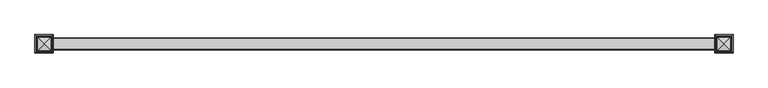
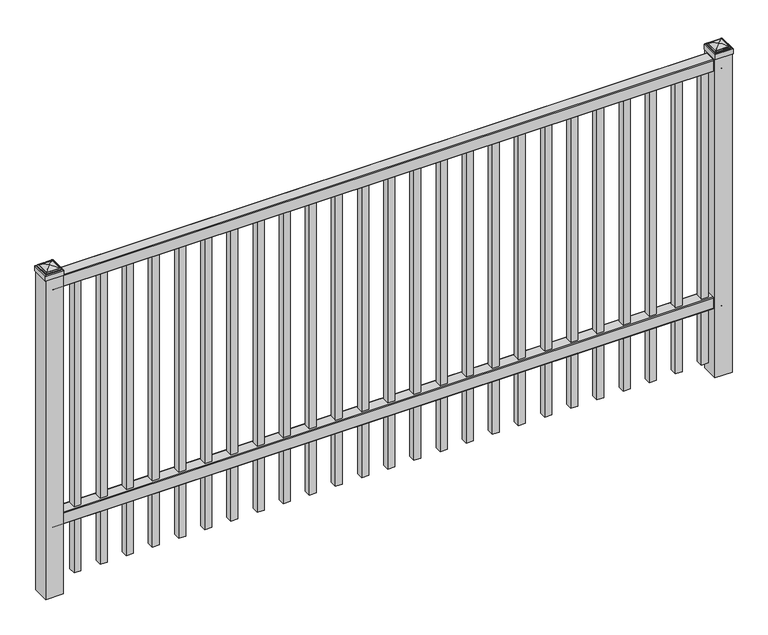
"""IFC4 building model written with IfcOpenShell, lengths in millimetres: railing geometry."""

from ifc_helpers import new_model, si_unit, point, frame, frame_2d, origin, origin_with_axes, place, context, project, spatial, polyline, circle_curve, ellipse_curve, trimmed, segment, composite_curve, outline, extrude, source, transform, mapped, element, save
from ifc_brep_helpers import plane_surface, cylinder_surface, advanced_brep


def railing_d7086f1b(model_context):
    return source(origin(), model_context, "Body", "SolidModel", [
        extrude(outline(composite_curve([segment(polyline([(13397.9139761, 304.8), (13435.969541, 304.8)]), True, "CONTINUOUS"), segment(trimmed(circle_curve(frame_2d((13435.969541, 301.625)), 3.175), [point((13435.969541, 304.8))], [point((13439.144541, 301.625))], False, "CARTESIAN"), True, "CONTINUOUS"), segment(polyline([(13439.144541, 301.625), (13439.144541, 262.1439893)]), True, "CONTINUOUS"), segment(trimmed(circle_curve(frame_2d((13437.3505518, 262.1439893)), 1.7939893), [point((13439.144541, 262.1439893))], [point((13437.3505518, 260.35))], False, "CARTESIAN"), True, "CONTINUOUS"), segment(polyline([(13437.3505518, 260.35), (13434.7590713, 260.35)]), True, "CONTINUOUS"), segment(trimmed(circle_curve(frame_2d((13434.7590713, 262.1359375)), 1.7859375), [point((13434.7590713, 260.35))], [point((13432.9755813, 262.0424688))], False, "CARTESIAN"), True, "CONTINUOUS"), segment(polyline([(13432.9755813, 262.0424688), (13431.4025867, 292.0569942), (13402.4364954, 292.0569942), (13400.8635007, 262.0424688)]), True, "CONTINUOUS"), segment(trimmed(circle_curve(frame_2d((13399.0800108, 262.1359375)), 1.7859375), [point((13400.8635007, 262.0424688))], [point((13399.0800108, 260.35))], False, "CARTESIAN"), True, "CONTINUOUS"), segment(polyline([(13399.0800108, 260.35), (13396.4804785, 260.35)]), True, "CONTINUOUS"), segment(trimmed(circle_curve(frame_2d((13396.4804785, 262.1359375)), 1.7859375), [point((13396.4804785, 260.35))], [point((13394.694541, 262.1359375))], False, "CARTESIAN"), True, "CONTINUOUS"), segment(polyline([(13394.694541, 262.1359375), (13394.694541, 301.5805649)]), True, "CONTINUOUS"), segment(trimmed(circle_curve(frame_2d((13397.9139761, 301.5805649)), 3.2194351), [point((13394.694541, 301.5805649))], [point((13397.9139761, 304.8))], False, "CARTESIAN"), True, "CONTINUOUS")], self_intersect=False)), frame((-15337.0649936, 0.0, 0.0), z_axis=(1.0, 0.0, 0.0), x_axis=(0.0, 1.0, 0.0)), (0.0, 0.0, 1.0), 2438.4),
        extrude(outline(composite_curve([segment(polyline([(13397.9139761, 1219.2), (13435.969541, 1219.2)]), True, "CONTINUOUS"), segment(trimmed(circle_curve(frame_2d((13435.969541, 1216.025)), 3.175), [point((13435.969541, 1219.2))], [point((13439.144541, 1216.025))], False, "CARTESIAN"), True, "CONTINUOUS"), segment(polyline([(13439.144541, 1216.025), (13439.144541, 1176.5439893)]), True, "CONTINUOUS"), segment(trimmed(circle_curve(frame_2d((13437.3505518, 1176.5439893)), 1.7939893), [point((13439.144541, 1176.5439893))], [point((13437.3505518, 1174.75))], False, "CARTESIAN"), True, "CONTINUOUS"), segment(polyline([(13437.3505518, 1174.75), (13434.7590713, 1174.75)]), True, "CONTINUOUS"), segment(trimmed(circle_curve(frame_2d((13434.7590713, 1176.5359375)), 1.7859375), [point((13434.7590713, 1174.75))], [point((13432.9755813, 1176.4424688))], False, "CARTESIAN"), True, "CONTINUOUS"), segment(polyline([(13432.9755813, 1176.4424688), (13431.4025867, 1206.4569942), (13402.4364954, 1206.4569942), (13400.8635007, 1176.4424688)]), True, "CONTINUOUS"), segment(trimmed(circle_curve(frame_2d((13399.0800108, 1176.5359375)), 1.7859375), [point((13400.8635007, 1176.4424688))], [point((13399.0800108, 1174.75))], False, "CARTESIAN"), True, "CONTINUOUS"), segment(polyline([(13399.0800108, 1174.75), (13396.4804785, 1174.75)]), True, "CONTINUOUS"), segment(trimmed(circle_curve(frame_2d((13396.4804785, 1176.5359375)), 1.7859375), [point((13396.4804785, 1174.75))], [point((13394.694541, 1176.5359375))], False, "CARTESIAN"), True, "CONTINUOUS"), segment(polyline([(13394.694541, 1176.5359375), (13394.694541, 1215.9805649)]), True, "CONTINUOUS"), segment(trimmed(circle_curve(frame_2d((13397.9139761, 1215.9805649)), 3.2194351), [point((13394.694541, 1215.9805649))], [point((13397.9139761, 1219.2))], False, "CARTESIAN"), True, "CONTINUOUS")], self_intersect=False)), frame((-15337.0649936, 0.0, 0.0), z_axis=(1.0, 0.0, 0.0), x_axis=(0.0, 1.0, 0.0)), (0.0, 0.0, 1.0), 2438.4),
        extrude(outline(polyline([(0.0, -1123.95), (0.0, 0.0), (25.4, 0.0), (25.4, -1123.95), (0.0, -1123.95)])), frame((-12943.1149864, 13429.619541, 1174.75), z_axis=(-1.0, 0.0, 3.6920138697683833e-09), x_axis=(0.0, -1.0, 0.0)), (0.0, 0.0, 1.0), 25.4),
        extrude(outline(polyline([(0.0, -1123.95), (0.0, 0.0), (25.4, 0.0), (25.4, -1123.95), (0.0, -1123.95)])), frame((-13038.3649864, 13429.619541, 1174.75), z_axis=(-1.0, 0.0, 3.6920138697683833e-09), x_axis=(0.0, -1.0, 0.0)), (0.0, 0.0, 1.0), 25.4),
        extrude(outline(polyline([(0.0, -1123.95), (0.0, 0.0), (25.4, 0.0), (25.4, -1123.95), (0.0, -1123.95)])), frame((-13133.6149864, 13429.619541, 1174.75), z_axis=(-1.0, 0.0, 3.6920138697683833e-09), x_axis=(0.0, -1.0, 0.0)), (0.0, 0.0, 1.0), 25.4),
        extrude(outline(polyline([(0.0, -1123.95), (0.0, 0.0), (25.4, 0.0), (25.4, -1123.95), (0.0, -1123.95)])), frame((-13228.8649864, 13429.619541, 1174.75), z_axis=(-1.0, 0.0, 3.6920138697683833e-09), x_axis=(0.0, -1.0, 0.0)), (0.0, 0.0, 1.0), 25.4),
        extrude(outline(polyline([(0.0, -1123.95), (0.0, 0.0), (25.4, 0.0), (25.4, -1123.95), (0.0, -1123.95)])), frame((-13324.1149864, 13429.619541, 1174.75), z_axis=(-1.0, 0.0, 3.6920138697683833e-09), x_axis=(0.0, -1.0, 0.0)), (0.0, 0.0, 1.0), 25.4),
        extrude(outline(polyline([(0.0, -1123.95), (0.0, 0.0), (25.4, 0.0), (25.4, -1123.95), (0.0, -1123.95)])), frame((-13419.3649864, 13429.619541, 1174.75), z_axis=(-1.0, 0.0, 3.6920138697683833e-09), x_axis=(0.0, -1.0, 0.0)), (0.0, 0.0, 1.0), 25.4),
        extrude(outline(polyline([(0.0, -1123.95), (0.0, 0.0), (25.4, 0.0), (25.4, -1123.95), (0.0, -1123.95)])), frame((-13514.6149864, 13429.619541, 1174.75), z_axis=(-1.0, 0.0, 3.6920138697683833e-09), x_axis=(0.0, -1.0, 0.0)), (0.0, 0.0, 1.0), 25.4),
        extrude(outline(polyline([(0.0, -1123.95), (0.0, 0.0), (25.4, 0.0), (25.4, -1123.95), (0.0, -1123.95)])), frame((-13609.8649864, 13429.619541, 1174.75), z_axis=(-1.0, 0.0, 3.6920138697683833e-09), x_axis=(0.0, -1.0, 0.0)), (0.0, 0.0, 1.0), 25.4),
        extrude(outline(polyline([(0.0, -1123.95), (0.0, 0.0), (25.4, 0.0), (25.4, -1123.95), (0.0, -1123.95)])), frame((-13705.1149864, 13429.619541, 1174.75), z_axis=(-1.0, 0.0, 3.6920138697683833e-09), x_axis=(0.0, -1.0, 0.0)), (0.0, 0.0, 1.0), 25.4),
        extrude(outline(polyline([(0.0, -1123.95), (0.0, 0.0), (25.4, 0.0), (25.4, -1123.95), (0.0, -1123.95)])), frame((-13800.3649864, 13429.619541, 1174.75), z_axis=(-1.0, 0.0, 3.6920138697683833e-09), x_axis=(0.0, -1.0, 0.0)), (0.0, 0.0, 1.0), 25.4),
        extrude(outline(polyline([(0.0, -1123.95), (0.0, 0.0), (25.4, 0.0), (25.4, -1123.95), (0.0, -1123.95)])), frame((-13895.6149864, 13429.619541, 1174.75), z_axis=(-1.0, 0.0, 3.6920138697683833e-09), x_axis=(0.0, -1.0, 0.0)), (0.0, 0.0, 1.0), 25.4),
        extrude(outline(polyline([(0.0, -1123.95), (0.0, 0.0), (25.4, 0.0), (25.4, -1123.95), (0.0, -1123.95)])), frame((-13990.8649864, 13429.619541, 1174.75), z_axis=(-1.0, 0.0, 3.6920138697683833e-09), x_axis=(0.0, -1.0, 0.0)), (0.0, 0.0, 1.0), 25.4),
        extrude(outline(polyline([(0.0, -1123.95), (0.0, 0.0), (25.4, 0.0), (25.4, -1123.95), (0.0, -1123.95)])), frame((-14086.1149864, 13429.619541, 1174.75), z_axis=(-1.0, 0.0, 3.6920138697683833e-09), x_axis=(0.0, -1.0, 0.0)), (0.0, 0.0, 1.0), 25.4),
        extrude(outline(polyline([(0.0, -1123.95), (0.0, 0.0), (25.4, 0.0), (25.4, -1123.95), (0.0, -1123.95)])), frame((-14181.3649864, 13429.619541, 1174.75), z_axis=(-1.0, 0.0, 3.6920138697683833e-09), x_axis=(0.0, -1.0, 0.0)), (0.0, 0.0, 1.0), 25.4),
        extrude(outline(polyline([(0.0, -1123.95), (0.0, 0.0), (25.4, 0.0), (25.4, -1123.95), (0.0, -1123.95)])), frame((-14276.6149864, 13429.619541, 1174.75), z_axis=(-1.0, 0.0, 3.6920138697683833e-09), x_axis=(0.0, -1.0, 0.0)), (0.0, 0.0, 1.0), 25.4),
        extrude(outline(polyline([(0.0, -1123.95), (0.0, 0.0), (25.4, 0.0), (25.4, -1123.95), (0.0, -1123.95)])), frame((-14371.8649864, 13429.619541, 1174.75), z_axis=(-1.0, 0.0, 3.6920138697683833e-09), x_axis=(0.0, -1.0, 0.0)), (0.0, 0.0, 1.0), 25.4),
        extrude(outline(polyline([(0.0, -1123.95), (0.0, 0.0), (25.4, 0.0), (25.4, -1123.95), (0.0, -1123.95)])), frame((-14467.1149864, 13429.619541, 1174.75), z_axis=(-1.0, 0.0, 3.6920138697683833e-09), x_axis=(0.0, -1.0, 0.0)), (0.0, 0.0, 1.0), 25.4),
        extrude(outline(polyline([(0.0, -1123.95), (0.0, 0.0), (25.4, 0.0), (25.4, -1123.95), (0.0, -1123.95)])), frame((-14562.3649864, 13429.619541, 1174.75), z_axis=(-1.0, 0.0, 3.6920138697683833e-09), x_axis=(0.0, -1.0, 0.0)), (0.0, 0.0, 1.0), 25.4),
        extrude(outline(polyline([(0.0, -1123.95), (0.0, 0.0), (25.4, 0.0), (25.4, -1123.95), (0.0, -1123.95)])), frame((-14657.6149864, 13429.619541, 1174.75), z_axis=(-1.0, 0.0, 3.6920138697683833e-09), x_axis=(0.0, -1.0, 0.0)), (0.0, 0.0, 1.0), 25.4),
        extrude(outline(polyline([(0.0, -1123.95), (0.0, 0.0), (25.4, 0.0), (25.4, -1123.95), (0.0, -1123.95)])), frame((-14752.8649864, 13429.619541, 1174.75), z_axis=(-1.0, 0.0, 3.6920138697683833e-09), x_axis=(0.0, -1.0, 0.0)), (0.0, 0.0, 1.0), 25.4),
        extrude(outline(polyline([(0.0, -1123.95), (0.0, 0.0), (25.4, 0.0), (25.4, -1123.95), (0.0, -1123.95)])), frame((-14848.1149864, 13429.619541, 1174.75), z_axis=(-1.0, 0.0, 3.6920138697683833e-09), x_axis=(0.0, -1.0, 0.0)), (0.0, 0.0, 1.0), 25.4),
        extrude(outline(polyline([(0.0, -1123.95), (0.0, 0.0), (25.4, 0.0), (25.4, -1123.95), (0.0, -1123.95)])), frame((-14943.3649864, 13429.619541, 1174.75), z_axis=(-1.0, 0.0, 3.6920138697683833e-09), x_axis=(0.0, -1.0, 0.0)), (0.0, 0.0, 1.0), 25.4),
        extrude(outline(polyline([(0.0, -1123.95), (0.0, 0.0), (25.4, 0.0), (25.4, -1123.95), (0.0, -1123.95)])), frame((-15038.6149864, 13429.619541, 1174.75), z_axis=(-1.0, 0.0, 3.6920138697683833e-09), x_axis=(0.0, -1.0, 0.0)), (0.0, 0.0, 1.0), 25.4),
        extrude(outline(polyline([(0.0, -1123.95), (0.0, 0.0), (25.4, 0.0), (25.4, -1123.95), (0.0, -1123.95)])), frame((-15133.8649864, 13429.619541, 1174.75), z_axis=(-1.0, 0.0, 3.6920138697683833e-09), x_axis=(0.0, -1.0, 0.0)), (0.0, 0.0, 1.0), 25.4),
        extrude(outline(polyline([(0.0, -1123.95), (0.0, 0.0), (25.4, 0.0), (25.4, -1123.95), (0.0, -1123.95)])), frame((-15229.1149864, 13429.619541, 1174.75), z_axis=(-1.0, 0.0, 3.6920138697683833e-09), x_axis=(0.0, -1.0, 0.0)), (0.0, 0.0, 1.0), 25.4),
        extrude(outline(polyline([(-12866.9149936, 13448.669541), (-12866.9149936, 13385.169541), (-12930.4149936, 13385.169541), (-12930.4149936, 13448.669541), (-12866.9149936, 13448.669541)])), origin_with_axes(), (0.0, 0.0, 1.0), 1227.1375),
        advanced_brep(
        [(-12932.0024936, 13450.257041, 1245.39375), (-12932.0024936, 13450.257041, 1227.1375), (-12932.0024936, 13383.582041, 1227.1375), (-12932.0024936, 13383.582041, 1245.39375), (-12929.6212436, 13447.875791, 1247.775), (-12929.6212436, 13385.963291, 1247.775), (-12927.2399936, 13445.494541, 1250.15625), (-12927.2399936, 13445.494541, 1247.775), (-12927.2399936, 13388.344541, 1247.775), (-12927.2399936, 13388.344541, 1250.15625), (-12924.8587436, 13443.113291, 1252.5375), (-12924.8587436, 13390.725791, 1252.5375), (-12898.6649936, 13416.919541, 1258.8875), (-12922.4774936, 13440.732041, 1252.5375), (-12922.4774936, 13393.107041, 1252.5375), (-12865.3274936, 13383.582041, 1227.1375), (-12865.3274936, 13383.582041, 1245.39375), (-12867.7087436, 13385.963291, 1247.775), (-12870.0899936, 13388.344541, 1247.775), (-12870.0899936, 13388.344541, 1250.15625), (-12872.4712436, 13390.725791, 1252.5375), (-12874.8524936, 13393.107041, 1252.5375), (-12865.3274936, 13450.257041, 1227.1375), (-12865.3274936, 13450.257041, 1245.39375), (-12867.7087436, 13447.875791, 1247.775), (-12870.0899936, 13445.494541, 1247.775), (-12870.0899936, 13445.494541, 1250.15625), (-12872.4712436, 13443.113291, 1252.5375), (-12874.8524936, 13440.732041, 1252.5375)],
        [
            (0, 1),
            (1, 2),
            (2, 3),
            (3, 0),
            (4, 0, ellipse_curve(frame((-12929.6212436, 13447.875791, 1245.39375), z_axis=(-0.70710678118655, -0.7071067811865449, 0.0), x_axis=(-0.7071067811865448, 0.7071067811865501, 0.0)), 3.367596, 2.38125)),
            (3, 5, ellipse_curve(frame((-12929.6212436, 13385.963291, 1245.39375), z_axis=(-0.7071067811865449, 0.70710678118655, 0.0), x_axis=(0.7071067811865499, 0.707106781186545, 0.0)), 3.367596, 2.38125)),
            (5, 4),
            (6, 7),
            (7, 8),
            (8, 9),
            (9, 6),
            (10, 6, ellipse_curve(frame((-12924.8587436, 13443.113291, 1250.15625), z_axis=(-0.70710678118655, -0.7071067811865449, 0.0), x_axis=(-0.7071067811865448, 0.7071067811865501, 0.0)), 3.367596, 2.38125)),
            (9, 11, ellipse_curve(frame((-12924.8587436, 13390.725791, 1250.15625), z_axis=(-0.7071067811865449, 0.70710678118655, 0.0), x_axis=(0.7071067811865499, 0.707106781186545, 0.0)), 3.367596, 2.38125)),
            (11, 10),
            (12, 13, ellipse_curve(frame((-12898.6649936, 13416.919541, 1211.0640625), z_axis=(-0.70710678118655, -0.7071067811865449, 0.0), x_axis=(-0.7071067811865448, 0.7071067811865501, 0.0)), 67.6325539, 47.8234375)),
            (13, 14),
            (14, 12, ellipse_curve(frame((-12898.6649936, 13416.919541, 1211.0640625), z_axis=(-0.7071067811865449, 0.70710678118655, 0.0), x_axis=(0.7071067811865499, 0.707106781186545, 0.0)), 67.6325539, 47.8234375)),
            (2, 15),
            (15, 16),
            (16, 3),
            (16, 17, ellipse_curve(frame((-12867.7087436, 13385.963291, 1245.39375), z_axis=(-0.70710678118655, -0.707106781186545, 0.0), x_axis=(-0.707106781186545, 0.70710678118655, 0.0)), 3.367596, 2.38125)),
            (17, 5),
            (8, 18),
            (18, 19),
            (19, 9),
            (19, 20, ellipse_curve(frame((-12872.4712436, 13390.725791, 1250.15625), z_axis=(-0.70710678118655, -0.707106781186545, 0.0), x_axis=(-0.707106781186545, 0.70710678118655, 0.0)), 3.367596, 2.38125)),
            (20, 11),
            (14, 21),
            (21, 12, ellipse_curve(frame((-12898.6649936, 13416.919541, 1211.0640625), z_axis=(-0.70710678118655, -0.707106781186545, 0.0), x_axis=(-0.707106781186545, 0.70710678118655, 0.0)), 67.6325539, 47.8234375)),
            (15, 22),
            (22, 23),
            (23, 16),
            (23, 24, ellipse_curve(frame((-12867.7087436, 13447.875791, 1245.39375), z_axis=(0.707106781186545, -0.7071067811865499, 0.0), x_axis=(-0.7071067811865497, -0.7071067811865452, 0.0)), 3.367596, 2.38125)),
            (24, 17),
            (18, 25),
            (25, 26),
            (26, 19),
            (26, 27, ellipse_curve(frame((-12872.4712436, 13443.113291, 1250.15625), z_axis=(0.707106781186545, -0.7071067811865499, 0.0), x_axis=(-0.7071067811865497, -0.7071067811865452, 0.0)), 3.367596, 2.38125)),
            (27, 20),
            (21, 28),
            (28, 12, ellipse_curve(frame((-12898.6649936, 13416.919541, 1211.0640625), z_axis=(0.707106781186545, -0.7071067811865499, 0.0), x_axis=(-0.7071067811865497, -0.7071067811865452, 0.0)), 67.6325539, 47.8234375)),
            (22, 1),
            (0, 23),
            (4, 24),
            (7, 25),
            (6, 26),
            (10, 27),
            (13, 28),
        ],
        [
            plane_surface(frame((-12932.0024936, 13450.257041, 1227.1375), z_axis=(-1.0, 0.0, 0.0), x_axis=(0.0, -1.0, 0.0))),
            cylinder_surface(frame((-12929.6212436, 13448.669541, 1245.39375), z_axis=(0.0, 1.0, 0.0), x_axis=(1.0, 0.0, 0.0)), 2.38125),
            plane_surface(frame((-12927.2399936, 13445.494541, 1247.775), z_axis=(-1.0, 0.0, 0.0), x_axis=(0.0, -1.0, 0.0))),
            cylinder_surface(frame((-12924.8587436, 13448.669541, 1250.15625), z_axis=(0.0, 1.0, 0.0), x_axis=(1.0, 0.0, 0.0)), 2.38125),
            cylinder_surface(frame((-12898.6649936, 13448.669541, 1211.0640625), z_axis=(0.0, 1.0, 0.0), x_axis=(1.0, 0.0, 0.0)), 47.8234375),
            plane_surface(frame((-12932.0024936, 13383.582041, 1227.1375), z_axis=(0.0, -1.0, 0.0), x_axis=(1.0, 0.0, 0.0))),
            cylinder_surface(frame((-12930.4149936, 13385.963291, 1245.39375), z_axis=(-1.0, 0.0, 0.0), x_axis=(0.0, 1.0, 0.0)), 2.38125),
            plane_surface(frame((-12927.2399936, 13388.344541, 1247.775), z_axis=(0.0, -1.0, 0.0), x_axis=(1.0, 0.0, 0.0))),
            cylinder_surface(frame((-12930.4149936, 13390.725791, 1250.15625), z_axis=(-1.0, 0.0, 0.0), x_axis=(0.0, 1.0, 0.0)), 2.38125),
            cylinder_surface(frame((-12930.4149936, 13416.919541, 1211.0640625), z_axis=(-1.0, 0.0, 0.0), x_axis=(0.0, 1.0, 0.0)), 47.8234375),
            plane_surface(frame((-12865.3274936, 13383.582041, 1227.1375), z_axis=(1.0, 0.0, 0.0), x_axis=(0.0, 1.0, 0.0))),
            cylinder_surface(frame((-12867.7087436, 13385.169541, 1245.39375), z_axis=(0.0, -1.0, 0.0), x_axis=(-1.0, 0.0, 0.0)), 2.38125),
            plane_surface(frame((-12870.0899936, 13388.344541, 1247.775), z_axis=(1.0, 0.0, 0.0), x_axis=(0.0, 1.0, 0.0))),
            cylinder_surface(frame((-12872.4712436, 13385.169541, 1250.15625), z_axis=(0.0, -1.0, 0.0), x_axis=(-1.0, 0.0, 0.0)), 2.38125),
            cylinder_surface(frame((-12898.6649936, 13385.169541, 1211.0640625), z_axis=(0.0, -1.0, 0.0), x_axis=(-1.0, 0.0, 0.0)), 47.8234375),
            plane_surface(frame((-12865.3274936, 13450.257041, 1227.1375), z_axis=(0.0, 1.0, 0.0), x_axis=(-1.0, 0.0, 0.0))),
            cylinder_surface(frame((-12866.9149936, 13447.875791, 1245.39375), z_axis=(1.0, 0.0, 0.0), x_axis=(0.0, -1.0, 0.0)), 2.38125),
            plane_surface(frame((-12867.7087436, 13447.875791, 1247.775), z_axis=(0.0, 0.0, 1.0), x_axis=(-1.0, 0.0, 0.0))),
            plane_surface(frame((-12870.0899936, 13445.494541, 1247.775), z_axis=(0.0, 1.0, 0.0), x_axis=(-1.0, 0.0, 0.0))),
            cylinder_surface(frame((-12866.9149936, 13443.113291, 1250.15625), z_axis=(1.0, 0.0, 0.0), x_axis=(0.0, -1.0, 0.0)), 2.38125),
            plane_surface(frame((-12872.4712436, 13443.113291, 1252.5375), z_axis=(0.0, 0.0, 1.0), x_axis=(-1.0, 0.0, 0.0))),
            cylinder_surface(frame((-12866.9149936, 13416.919541, 1211.0640625), z_axis=(1.0, 0.0, 0.0), x_axis=(0.0, -1.0, 0.0)), 47.8234375),
            plane_surface(frame((-12898.6649936, 13416.919541, 1227.1375), z_axis=(0.0, 0.0, -1.0), x_axis=(-1.0, 0.0, 0.0))),
        ],
        [
            (0, [[1, 2, 3, 4]]),
            (1, [[5, -4, 6, 7]]),
            (2, [[8, 9, 10, 11]]),
            (3, [[12, -11, 13, 14]]),
            (4, [[15, 16, 17]]),
            (5, [[-3, 18, 19, 20]]),
            (6, [[-6, -20, 21, 22]]),
            (7, [[-10, 23, 24, 25]]),
            (8, [[-13, -25, 26, 27]]),
            (9, [[-17, 28, 29]]),
            (10, [[-19, 30, 31, 32]]),
            (11, [[-21, -32, 33, 34]]),
            (12, [[-24, 35, 36, 37]]),
            (13, [[-26, -37, 38, 39]]),
            (14, [[-29, 40, 41]]),
            (15, [[-31, 42, -1, 43]]),
            (16, [[-33, -43, -5, 44]]),
            (17, [[-22, -34, -44, -7], [45, -35, -23, -9]]),
            (18, [[-36, -45, -8, 46]]),
            (19, [[-38, -46, -12, 47]]),
            (20, [[-27, -39, -47, -14], [48, -40, -28, -16]]),
            (21, [[-41, -48, -15]]),
            (22, [[-42, -30, -18, -2]]),
        ],
    ),
        extrude(outline(polyline([(-15305.3149936, 13448.669541), (-15305.3149936, 13385.169541), (-15368.8149936, 13385.169541), (-15368.8149936, 13448.669541), (-15305.3149936, 13448.669541)])), origin_with_axes(), (0.0, 0.0, 1.0), 1227.1375),
        advanced_brep(
        [(-15370.4024936, 13450.257041, 1245.39375), (-15370.4024936, 13450.257041, 1227.1375), (-15370.4024936, 13383.582041, 1227.1375), (-15370.4024936, 13383.582041, 1245.39375), (-15368.0212436, 13447.875791, 1247.775), (-15368.0212436, 13385.963291, 1247.775), (-15365.6399936, 13445.494541, 1250.15625), (-15365.6399936, 13445.494541, 1247.775), (-15365.6399936, 13388.344541, 1247.775), (-15365.6399936, 13388.344541, 1250.15625), (-15363.2587436, 13443.113291, 1252.5375), (-15363.2587436, 13390.725791, 1252.5375), (-15337.0649936, 13416.919541, 1258.8875), (-15360.8774936, 13440.732041, 1252.5375), (-15360.8774936, 13393.107041, 1252.5375), (-15303.7274936, 13383.582041, 1227.1375), (-15303.7274936, 13383.582041, 1245.39375), (-15306.1087436, 13385.963291, 1247.775), (-15308.4899936, 13388.344541, 1247.775), (-15308.4899936, 13388.344541, 1250.15625), (-15310.8712436, 13390.725791, 1252.5375), (-15313.2524936, 13393.107041, 1252.5375), (-15303.7274936, 13450.257041, 1227.1375), (-15303.7274936, 13450.257041, 1245.39375), (-15306.1087436, 13447.875791, 1247.775), (-15308.4899936, 13445.494541, 1247.775), (-15308.4899936, 13445.494541, 1250.15625), (-15310.8712436, 13443.113291, 1252.5375), (-15313.2524936, 13440.732041, 1252.5375)],
        [
            (0, 1),
            (1, 2),
            (2, 3),
            (3, 0),
            (4, 0, ellipse_curve(frame((-15368.0212436, 13447.875791, 1245.39375), z_axis=(-0.70710678118655, -0.7071067811865449, 0.0), x_axis=(-0.7071067811865448, 0.7071067811865501, 0.0)), 3.367596, 2.38125)),
            (3, 5, ellipse_curve(frame((-15368.0212436, 13385.963291, 1245.39375), z_axis=(-0.7071067811865449, 0.70710678118655, 0.0), x_axis=(0.7071067811865499, 0.707106781186545, 0.0)), 3.367596, 2.38125)),
            (5, 4),
            (6, 7),
            (7, 8),
            (8, 9),
            (9, 6),
            (10, 6, ellipse_curve(frame((-15363.2587436, 13443.113291, 1250.15625), z_axis=(-0.70710678118655, -0.7071067811865449, 0.0), x_axis=(-0.7071067811865448, 0.7071067811865501, 0.0)), 3.367596, 2.38125)),
            (9, 11, ellipse_curve(frame((-15363.2587436, 13390.725791, 1250.15625), z_axis=(-0.7071067811865449, 0.70710678118655, 0.0), x_axis=(0.7071067811865499, 0.707106781186545, 0.0)), 3.367596, 2.38125)),
            (11, 10),
            (12, 13, ellipse_curve(frame((-15337.0649936, 13416.919541, 1211.0640625), z_axis=(-0.70710678118655, -0.7071067811865449, 0.0), x_axis=(-0.7071067811865448, 0.7071067811865501, 0.0)), 67.6325539, 47.8234375)),
            (13, 14),
            (14, 12, ellipse_curve(frame((-15337.0649936, 13416.919541, 1211.0640625), z_axis=(-0.7071067811865449, 0.70710678118655, 0.0), x_axis=(0.7071067811865499, 0.707106781186545, 0.0)), 67.6325539, 47.8234375)),
            (2, 15),
            (15, 16),
            (16, 3),
            (16, 17, ellipse_curve(frame((-15306.1087436, 13385.963291, 1245.39375), z_axis=(-0.70710678118655, -0.707106781186545, 0.0), x_axis=(-0.707106781186545, 0.70710678118655, 0.0)), 3.367596, 2.38125)),
            (17, 5),
            (8, 18),
            (18, 19),
            (19, 9),
            (19, 20, ellipse_curve(frame((-15310.8712436, 13390.725791, 1250.15625), z_axis=(-0.70710678118655, -0.707106781186545, 0.0), x_axis=(-0.707106781186545, 0.70710678118655, 0.0)), 3.367596, 2.38125)),
            (20, 11),
            (14, 21),
            (21, 12, ellipse_curve(frame((-15337.0649936, 13416.919541, 1211.0640625), z_axis=(-0.70710678118655, -0.707106781186545, 0.0), x_axis=(-0.707106781186545, 0.70710678118655, 0.0)), 67.6325539, 47.8234375)),
            (15, 22),
            (22, 23),
            (23, 16),
            (23, 24, ellipse_curve(frame((-15306.1087436, 13447.875791, 1245.39375), z_axis=(0.707106781186545, -0.7071067811865499, 0.0), x_axis=(-0.7071067811865497, -0.7071067811865452, 0.0)), 3.367596, 2.38125)),
            (24, 17),
            (18, 25),
            (25, 26),
            (26, 19),
            (26, 27, ellipse_curve(frame((-15310.8712436, 13443.113291, 1250.15625), z_axis=(0.707106781186545, -0.7071067811865499, 0.0), x_axis=(-0.7071067811865497, -0.7071067811865452, 0.0)), 3.367596, 2.38125)),
            (27, 20),
            (21, 28),
            (28, 12, ellipse_curve(frame((-15337.0649936, 13416.919541, 1211.0640625), z_axis=(0.707106781186545, -0.7071067811865499, 0.0), x_axis=(-0.7071067811865497, -0.7071067811865452, 0.0)), 67.6325539, 47.8234375)),
            (22, 1),
            (0, 23),
            (4, 24),
            (7, 25),
            (6, 26),
            (10, 27),
            (13, 28),
        ],
        [
            plane_surface(frame((-15370.4024936, 13450.257041, 1227.1375), z_axis=(-1.0, 0.0, 0.0), x_axis=(0.0, -1.0, 0.0))),
            cylinder_surface(frame((-15368.0212436, 13448.669541, 1245.39375), z_axis=(0.0, 1.0, 0.0), x_axis=(1.0, 0.0, 0.0)), 2.38125),
            plane_surface(frame((-15365.6399936, 13445.494541, 1247.775), z_axis=(-1.0, 0.0, 0.0), x_axis=(0.0, -1.0, 0.0))),
            cylinder_surface(frame((-15363.2587436, 13448.669541, 1250.15625), z_axis=(0.0, 1.0, 0.0), x_axis=(1.0, 0.0, 0.0)), 2.38125),
            cylinder_surface(frame((-15337.0649936, 13448.669541, 1211.0640625), z_axis=(0.0, 1.0, 0.0), x_axis=(1.0, 0.0, 0.0)), 47.8234375),
            plane_surface(frame((-15370.4024936, 13383.582041, 1227.1375), z_axis=(0.0, -1.0, 0.0), x_axis=(1.0, 0.0, 0.0))),
            cylinder_surface(frame((-15368.8149936, 13385.963291, 1245.39375), z_axis=(-1.0, 0.0, 0.0), x_axis=(0.0, 1.0, 0.0)), 2.38125),
            plane_surface(frame((-15365.6399936, 13388.344541, 1247.775), z_axis=(0.0, -1.0, 0.0), x_axis=(1.0, 0.0, 0.0))),
            cylinder_surface(frame((-15368.8149936, 13390.725791, 1250.15625), z_axis=(-1.0, 0.0, 0.0), x_axis=(0.0, 1.0, 0.0)), 2.38125),
            cylinder_surface(frame((-15368.8149936, 13416.919541, 1211.0640625), z_axis=(-1.0, 0.0, 0.0), x_axis=(0.0, 1.0, 0.0)), 47.8234375),
            plane_surface(frame((-15303.7274936, 13383.582041, 1227.1375), z_axis=(1.0, 0.0, 0.0), x_axis=(0.0, 1.0, 0.0))),
            cylinder_surface(frame((-15306.1087436, 13385.169541, 1245.39375), z_axis=(0.0, -1.0, 0.0), x_axis=(-1.0, 0.0, 0.0)), 2.38125),
            plane_surface(frame((-15308.4899936, 13388.344541, 1247.775), z_axis=(1.0, 0.0, 0.0), x_axis=(0.0, 1.0, 0.0))),
            cylinder_surface(frame((-15310.8712436, 13385.169541, 1250.15625), z_axis=(0.0, -1.0, 0.0), x_axis=(-1.0, 0.0, 0.0)), 2.38125),
            cylinder_surface(frame((-15337.0649936, 13385.169541, 1211.0640625), z_axis=(0.0, -1.0, 0.0), x_axis=(-1.0, 0.0, 0.0)), 47.8234375),
            plane_surface(frame((-15303.7274936, 13450.257041, 1227.1375), z_axis=(0.0, 1.0, 0.0), x_axis=(-1.0, 0.0, 0.0))),
            cylinder_surface(frame((-15305.3149936, 13447.875791, 1245.39375), z_axis=(1.0, 0.0, 0.0), x_axis=(0.0, -1.0, 0.0)), 2.38125),
            plane_surface(frame((-15306.1087436, 13447.875791, 1247.775), z_axis=(0.0, 0.0, 1.0), x_axis=(-1.0, 0.0, 0.0))),
            plane_surface(frame((-15308.4899936, 13445.494541, 1247.775), z_axis=(0.0, 1.0, 0.0), x_axis=(-1.0, 0.0, 0.0))),
            cylinder_surface(frame((-15305.3149936, 13443.113291, 1250.15625), z_axis=(1.0, 0.0, 0.0), x_axis=(0.0, -1.0, 0.0)), 2.38125),
            plane_surface(frame((-15310.8712436, 13443.113291, 1252.5375), z_axis=(0.0, 0.0, 1.0), x_axis=(-1.0, 0.0, 0.0))),
            cylinder_surface(frame((-15305.3149936, 13416.919541, 1211.0640625), z_axis=(1.0, 0.0, 0.0), x_axis=(0.0, -1.0, 0.0)), 47.8234375),
            plane_surface(frame((-15337.0649936, 13416.919541, 1227.1375), z_axis=(0.0, 0.0, -1.0), x_axis=(-1.0, 0.0, 0.0))),
        ],
        [
            (0, [[1, 2, 3, 4]]),
            (1, [[5, -4, 6, 7]]),
            (2, [[8, 9, 10, 11]]),
            (3, [[12, -11, 13, 14]]),
            (4, [[15, 16, 17]]),
            (5, [[-3, 18, 19, 20]]),
            (6, [[-6, -20, 21, 22]]),
            (7, [[-10, 23, 24, 25]]),
            (8, [[-13, -25, 26, 27]]),
            (9, [[-17, 28, 29]]),
            (10, [[-19, 30, 31, 32]]),
            (11, [[-21, -32, 33, 34]]),
            (12, [[-24, 35, 36, 37]]),
            (13, [[-26, -37, 38, 39]]),
            (14, [[-29, 40, 41]]),
            (15, [[-31, 42, -1, 43]]),
            (16, [[-33, -43, -5, 44]]),
            (17, [[-22, -34, -44, -7], [45, -35, -23, -9]]),
            (18, [[-36, -45, -8, 46]]),
            (19, [[-38, -46, -12, 47]]),
            (20, [[-27, -39, -47, -14], [48, -40, -28, -16]]),
            (21, [[-41, -48, -15]]),
            (22, [[-42, -30, -18, -2]]),
        ],
    ),
    ])


if __name__ == "__main__":
    model = new_model("IFC4")
    model_context = context("Model", 3, world=origin())
    ifc_project = project(units=[si_unit("LENGTHUNIT", "METRE", prefix="MILLI")], contexts=[model_context])
    site = spatial("IfcSite", under=ifc_project)
    building = spatial("IfcBuilding", under=site)
    placement = place(None, origin())
    railing_shape = railing_d7086f1b(model_context)
    element("IfcRailing", 1, at=placement, inside=building, context=model_context, shape_type="MappedRepresentation", body=[
        mapped(railing_shape, transform((0.0, 0.0, 0.0), x_axis=(1.0, 0.0, 0.0), y_axis=(0.0, 1.0, 0.0), z_axis=(0.0, 0.0, 1.0))),
    ])
    save(model, "model.ifc")
